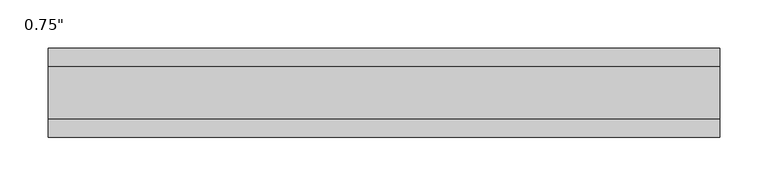
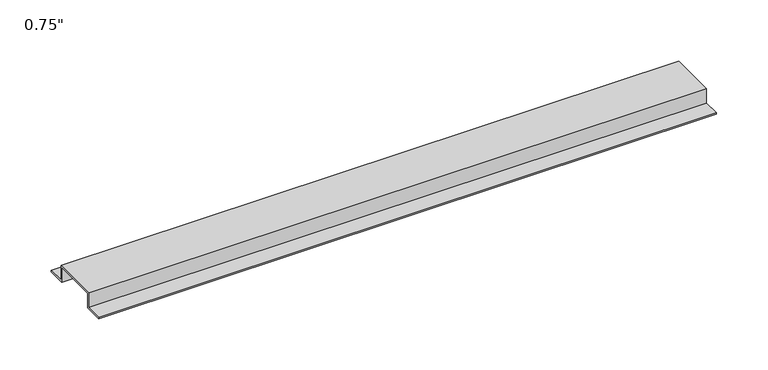
"""IFC4 building model written with IfcOpenShell, lengths in millimetres: proxy geometry."""

from ifc_helpers import new_model, si_unit, frame, origin, place, context, project, spatial, polyline, outline, extrude, source, transform, mapped, element, save


def proxy_bb4a34b9(model_context):
    return source(origin(), model_context, "Body", "SweptSolid", [
        extrude(outline(polyline([(46.0559645, -17.4625), (25.4, -17.4625), (25.4, 0.0), (-25.4, 0.0), (-25.4, -17.4625), (-46.0559645, -17.4625), (-46.0559645, -15.8492), (-27.0129, -15.8492), (-27.0129, 1.6129), (27.0129, 1.6129), (27.0129, -15.8492), (46.0559645, -15.8492), (46.0559645, -17.4625)])), frame((0.0, 0.0, 0.0), z_axis=(1.0, 0.0, 0.0), x_axis=(0.0, 1.0, 0.0)), (0.0, 0.0, 1.0), 695.3619291),
    ])


if __name__ == "__main__":
    model = new_model("IFC4")
    model_context = context("Model", 3, world=origin())
    ifc_project = project(units=[si_unit("LENGTHUNIT", "METRE", prefix="MILLI")], contexts=[model_context])
    site = spatial("IfcSite", under=ifc_project)
    building = spatial("IfcBuilding", under=site)
    placement = place(None, origin())
    proxy_shape = proxy_bb4a34b9(model_context)
    element("IfcBuildingElementProxy", 1, Name="0.75\"", ObjectType="0.75\"", at=placement, inside=building, context=model_context, shape_type="MappedRepresentation", body=[
        mapped(proxy_shape, transform((0.0, 0.0, 0.0), x_axis=(1.0, 0.0, 0.0), y_axis=(0.0, 1.0, 0.0), z_axis=(0.0, 0.0, 1.0))),
    ])
    save(model, "model.ifc")
